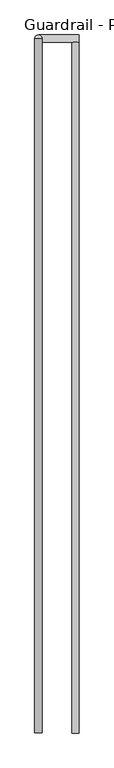
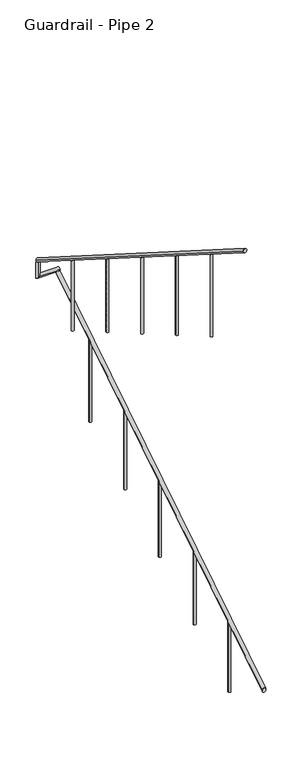
"""IFC4 building model written with IfcOpenShell, lengths in millimetres: railing geometry, Guardrail - Pipe 2."""

import ifcopenshell
import ifcopenshell.guid

model = None  # the IFC model being written
_history = None  # IfcOwnerHistory: only IFC2X3 demands one
_inside = {}  # id of a spatial element -> (the spatial element, [elements in it])
_under = {}  # id of a project, library or spatial element -> (it, [spatial elements below it])
_declared = {}  # id of a project -> (the project, [libraries it declares])
_typed = {}  # id of a type object -> (the type object, [elements of that type])
_made_of = {}  # id of a material, layer set ... -> (it, [elements and type objects made of it])


def new_model(schema):
    """Start an empty IFC model of exactly this schema.

    Asked for "IFC4X3", IfcOpenShell would pick the latest addendum, in which some entities
    have other attributes; the version numbers below select the first issue.
    IFC2X3 requires an IfcOwnerHistory on every rooted entity: one is made here for all.
    """
    global model, _history
    if schema == "IFC4X3":
        model = ifcopenshell.file(schema_version=(4, 3, 0, 0))
    else:
        model = ifcopenshell.file(schema=schema)
    _inside.clear()
    _under.clear()
    _declared.clear()
    _typed.clear()
    _made_of.clear()
    _history = None
    if model.schema == "IFC2X3":
        org = make("IfcOrganization", Name="unknown")
        user = make(
            "IfcPersonAndOrganization",
            ThePerson=make("IfcPerson", FamilyName="unknown"),
            TheOrganization=org,
        )
        app = make(
            "IfcApplication",
            ApplicationDeveloper=org,
            Version="unknown",
            ApplicationFullName="unknown",
            ApplicationIdentifier="unknown",
        )
        _history = make(
            "IfcOwnerHistory",
            OwningUser=user,
            OwningApplication=app,
            ChangeAction="ADDED",
            CreationDate=0,
        )
    return model


def make(cls, **values):
    """One entity of the class cls with the attributes given. An attribute that is None is left unset."""
    return model.create_entity(
        cls, **{name: value for name, value in values.items() if value is not None}
    )


def rooted(cls, **values):
    """An entity with a GlobalId (a new one), such as an element, a storey or a relation."""
    return make(cls, GlobalId=ifcopenshell.guid.new(), OwnerHistory=_history, **values)


def si_unit(unit_type, name, prefix=None):
    """IfcSIUnit, for example si_unit("LENGTHUNIT", "METRE", prefix="MILLI")."""
    return make("IfcSIUnit", UnitType=unit_type, Prefix=prefix, Name=name)


def assignment(units):
    """IfcUnitAssignment: the units of a project."""
    return None if units is None else make("IfcUnitAssignment", Units=units)


def point(xyz):
    """IfcCartesianPoint."""
    return None if xyz is None else make("IfcCartesianPoint", Coordinates=xyz)


def direction(xyz):
    """IfcDirection."""
    return None if xyz is None else make("IfcDirection", DirectionRatios=xyz)


def frame(location, z_axis=None, x_axis=None):
    """IfcAxis2Placement3D, a coordinate frame: its origin and axes. An axis left out is left unset."""
    return make(
        "IfcAxis2Placement3D",
        Location=point(location),
        Axis=direction(z_axis),
        RefDirection=direction(x_axis),
    )


def origin():
    """The frame at (0, 0, 0) with its axes left unset."""
    return frame((0.0, 0.0, 0.0))


def place(relative_to, where):
    """IfcLocalPlacement: puts the frame where relative to a parent placement (None: the world)."""
    return make(
        "IfcLocalPlacement", PlacementRelTo=relative_to, RelativePlacement=where
    )


def context(
    kind, dimensions, precision=None, world=None, true_north=None, identifier=None
):
    """IfcGeometricRepresentationContext, for example the 3D "Model" context."""
    return make(
        "IfcGeometricRepresentationContext",
        ContextIdentifier=identifier,
        ContextType=kind,
        CoordinateSpaceDimension=dimensions,
        Precision=precision,
        WorldCoordinateSystem=world,
        TrueNorth=true_north,
    )


def project(units=None, contexts=None):
    """IfcProject with its units and contexts."""
    return rooted(
        "IfcProject",
        Name="project",
        RepresentationContexts=contexts,
        UnitsInContext=assignment(units),
    )


def spatial(cls, under=None, at=None, **own):
    """A site, building, storey or space (cls), placed at a placement, below another one or the project."""
    s = rooted(cls, ObjectPlacement=at, **own)
    if under is not None:
        _under.setdefault(under.id(), (under, []))[1].append(s)
    return s


def circle_curve(where, radius):
    """IfcCircle in the frame where."""
    return make("IfcCircle", Position=where, Radius=radius)


def ellipse_curve(where, semi_axis1, semi_axis2):
    """IfcEllipse in the frame where."""
    return make(
        "IfcEllipse", Position=where, SemiAxis1=semi_axis1, SemiAxis2=semi_axis2
    )


def shape(context_of_items, identifier, shape_type, items):
    """IfcShapeRepresentation: the items that make up one representation, for example the "Body"."""
    return make(
        "IfcShapeRepresentation",
        ContextOfItems=context_of_items,
        RepresentationIdentifier=identifier,
        RepresentationType=shape_type,
        Items=items,
    )


def source(mapping_origin, context_of_items, identifier, shape_type, items):
    """IfcRepresentationMap: a shape defined once, which mapped items show again and again."""
    return make(
        "IfcRepresentationMap",
        MappingOrigin=mapping_origin,
        MappedRepresentation=shape(context_of_items, identifier, shape_type, items),
    )


def transform(
    local_origin,
    x_axis=None,
    y_axis=None,
    z_axis=None,
    scale=None,
    scale2=None,
    scale3=None,
    uniform=True,
):
    """IfcCartesianTransformationOperator3D, or its non-uniform kind. x_axis, y_axis, z_axis: its Axis1, 2, 3."""
    if uniform:
        return make(
            "IfcCartesianTransformationOperator3D",
            Axis1=direction(x_axis),
            Axis2=direction(y_axis),
            LocalOrigin=point(local_origin),
            Scale=scale,
            Axis3=direction(z_axis),
        )
    return make(
        "IfcCartesianTransformationOperator3DnonUniform",
        Axis1=direction(x_axis),
        Axis2=direction(y_axis),
        LocalOrigin=point(local_origin),
        Scale=scale,
        Axis3=direction(z_axis),
        Scale2=scale2,
        Scale3=scale3,
    )


def mapped(mapping_source, mapping_target):
    """IfcMappedItem: shows the shape of a source again, moved by a transform."""
    return make(
        "IfcMappedItem", MappingSource=mapping_source, MappingTarget=mapping_target
    )


def made_of(thing, what):
    """Note that an element or type object is made of a material, layer set ...; save() writes the relation."""
    if what is not None:
        _made_of.setdefault(what.id(), (what, []))[1].append(thing)
    return thing


def element(
    cls,
    number,
    at=None,
    inside=None,
    cuts=None,
    type_object=None,
    material=None,
    context=None,
    identifier="Body",
    shape_type=None,
    held_by="IfcProductDefinitionShape",
    body=None,
    shapes=None,
    **own,
):
    """One element of the class cls, such as IfcWall. Its Tag is "e" and its number.

    at: its placement. inside: the storey or other place that contains it. cuts: it is an
    opening in that element (IfcRelVoidsElement). A single representation is given by context,
    identifier, shape_type and body (its items); several are given by shapes. held_by: the class
    of the entity that holds the representations. save() writes the other relations.
    """
    e = rooted(cls, Tag="e%d" % number, ObjectPlacement=at, **own)
    if body is not None:
        shapes = [shape(context, identifier, shape_type, body)]
    if shapes is not None:
        e.Representation = make(held_by, Representations=shapes)
    if inside is not None:
        _inside.setdefault(inside.id(), (inside, []))[1].append(e)
    if cuts is not None:
        rooted(
            "IfcRelVoidsElement", RelatingBuildingElement=cuts, RelatedOpeningElement=e
        )
    if type_object is not None:
        _typed.setdefault(type_object.id(), (type_object, []))[1].append(e)
    return made_of(e, material)


def aggregate(whole, parts):
    """IfcRelAggregates: a whole, such as a stair, and the parts it consists of."""
    return rooted("IfcRelAggregates", RelatingObject=whole, RelatedObjects=parts)


def save(model, path):
    """Write the relations noted so far, then the file.

    IfcRelAggregates (storeys below a building ...), IfcRelContainedInSpatialStructure (elements
    in a storey), IfcRelDefinesByType, IfcRelAssociatesMaterial and IfcRelDeclares: one each for
    every whole, place, type object, material and project.
    """
    for whole, parts in _under.values():
        aggregate(whole, parts)
    for where, things in _inside.values():
        rooted(
            "IfcRelContainedInSpatialStructure",
            RelatedElements=things,
            RelatingStructure=where,
        )
    for kind, things in _typed.values():
        rooted("IfcRelDefinesByType", RelatedObjects=things, RelatingType=kind)
    for what, things in _made_of.values():
        rooted("IfcRelAssociatesMaterial", RelatedObjects=things, RelatingMaterial=what)
    for by, libraries in _declared.values():
        rooted("IfcRelDeclares", RelatingContext=by, RelatedDefinitions=libraries)
    model.write(path)


def plane_surface(at):
    """IfcPlane: the flat surface through the origin of the frame at, square to its z axis."""
    return make("IfcPlane", Position=at)


def cylinder_surface(at, radius):
    """IfcCylindricalSurface: all points at the distance radius from the z axis of the frame at."""
    return make("IfcCylindricalSurface", Position=at, Radius=radius)


def advanced_brep(points, edges, surfaces, faces):
    """IfcAdvancedBrep: a solid bounded by faces that lie on surfaces and meet in shared edges.

    An edge is (start, end): straight between two places in points (the first is 0);
    or (start, end, curve); or (start, end, curve, False) where it runs against its curve.
    A face is (place in surfaces, loops), or (place, loops, False) where it looks against
    its surface's normal. A loop lists edges by number (the first is 1), with a minus sign
    where the edge is run from its end to its start. The first loop is the outer one.
    """
    corners = [point(p) for p in points]
    vertices = [make("IfcVertexPoint", VertexGeometry=c) for c in corners]
    made = []
    for start, end, *more in edges:
        made.append(
            make(
                "IfcEdgeCurve",
                EdgeStart=vertices[start],
                EdgeEnd=vertices[end],
                EdgeGeometry=more[0] if more else make("IfcPolyline", Points=[corners[start], corners[end]]),
                SameSense=more[1] if len(more) > 1 else True,
            )
        )
    hull = []
    for where, loops, *sense in faces:
        bounds = []
        for j, loop in enumerate(loops):
            ring = [make("IfcOrientedEdge", EdgeElement=made[abs(k) - 1], Orientation=k > 0) for k in loop]
            bounds.append(
                make(
                    "IfcFaceOuterBound" if j == 0 else "IfcFaceBound",
                    Bound=make("IfcEdgeLoop", EdgeList=ring),
                    Orientation=True,
                )
            )
        hull.append(make("IfcAdvancedFace", Bounds=bounds, FaceSurface=surfaces[where], SameSense=sense[0] if sense else True))
    return make("IfcAdvancedBrep", Outer=make("IfcClosedShell", CfsFaces=hull))


def guardrail_pipe_2_5a07511b(model_context):
    return source(origin(), model_context, "Body", "AdvancedBrep", [
        advanced_brep(
        [(302620.9957983, -254508.8080223, 916.3134838), (302582.8957983, -254508.8080223, 916.3134838), (302620.9957983, -250895.6580223, 3203.4252683), (302582.8957983, -250895.6580223, 3203.4252683)],
        [
            (0, 1, ellipse_curve(frame((302601.9457983, -254508.8080223, 916.3134838), z_axis=(0.0, -1.0, 0.0), x_axis=(0.0, 0.0, -1.0)), 22.5457755, 19.05)),
            (1, 0, ellipse_curve(frame((302601.9457983, -254508.8080223, 916.3134838), z_axis=(0.0, -1.0, 0.0), x_axis=(0.0, 0.0, -1.0)), 22.5457755, 19.05)),
            (2, 3, ellipse_curve(frame((302601.9457983, -250895.6580223, 3203.4252683), z_axis=(0.0, 1.0, 0.0), x_axis=(0.0, 0.0, -1.0)), 22.5457755, 19.05)),
            (3, 2, ellipse_curve(frame((302601.9457983, -250895.6580223, 3203.4252683), z_axis=(0.0, 1.0, 0.0), x_axis=(0.0, 0.0, -1.0)), 22.5457755, 19.05)),
            (0, 2),
            (3, 1),
        ],
        [
            plane_surface(frame((302601.9457983, -254508.8080223, 938.8592593), z_axis=(0.0, -1.0, 0.0), x_axis=(0.0, 0.0, 1.0))),
            plane_surface(frame((302601.9457983, -250895.6580223, 3225.9710438), z_axis=(0.0, 1.0, 0.0), x_axis=(0.0, 0.0, 1.0))),
            cylinder_surface(frame((302601.9457983, -254498.6191486, 922.7630065), z_axis=(0.0, -0.8449476488296452, -0.5348490167675869), x_axis=(-1.0, 0.0, 0.0)), 19.05),
        ],
        [
            (0, [[1, 2]]),
            (1, [[3, 4]]),
            (2, [[-1, 5, -4, 6]]),
            (2, [[-2, -6, -3, -5]]),
        ],
    ),
        advanced_brep(
        [(302620.9957983, -250857.5580223, 3218.9796296), (302620.9957983, -250895.6580223, 3218.9796296), (302407.4254676, -250857.5580223, 3218.9796296), (302407.4254676, -250895.6580223, 3218.9796296), (302407.4254676, -250857.5580223, 3357.738752), (302407.4254676, -250895.6580223, 3381.8559237)],
        [
            (0, 1, circle_curve(frame((302620.9957983, -250876.6080223, 3218.9796296), z_axis=(1.0, 0.0, 0.0), x_axis=(0.0, -1.0, 0.0)), 19.05)),
            (1, 0, circle_curve(frame((302620.9957983, -250876.6080223, 3218.9796296), z_axis=(1.0, 0.0, 0.0), x_axis=(0.0, -1.0, 0.0)), 19.05)),
            (0, 2),
            (2, 3, ellipse_curve(frame((302407.4254676, -250876.6080223, 3218.9796296), z_axis=(0.7071067811865475, 0.0, -0.7071067811865475), x_axis=(0.7071067811865476, 0.0, 0.7071067811865474)), 26.9407684, 19.05)),
            (3, 1),
            (3, 2, ellipse_curve(frame((302407.4254676, -250876.6080223, 3218.9796296), z_axis=(0.7071067811865475, 0.0, -0.7071067811865475), x_axis=(0.7071067811865476, 0.0, 0.7071067811865474)), 26.9407684, 19.05)),
            (4, 5, ellipse_curve(frame((302407.4254676, -250876.6080223, 3369.7973379), z_axis=(0.0, 0.5348490167675869, 0.8449476488296452), x_axis=(0.0, 0.8449476488296452, -0.5348490167675869)), 22.5457755, 19.05)),
            (5, 4, ellipse_curve(frame((302407.4254676, -250876.6080223, 3369.7973379), z_axis=(0.0, 0.5348490167675869, 0.8449476488296452), x_axis=(0.0, 0.8449476488296452, -0.5348490167675869)), 22.5457755, 19.05)),
            (2, 4),
            (5, 3),
        ],
        [
            plane_surface(frame((302620.9957983, -250876.6080223, 3238.0296296), z_axis=(1.0, 0.0, 0.0), x_axis=(0.0, -1.0, 0.0))),
            cylinder_surface(frame((302620.9957983, -250876.6080223, 3218.9796296), z_axis=(1.0, 0.0, 0.0), x_axis=(0.0, -1.0, 0.0)), 19.05),
            plane_surface(frame((302426.4754676, -250876.6080223, 3369.7973379), z_axis=(0.0, 0.5348490167675869, 0.8449476488296452), x_axis=(1.0, 0.0, 0.0))),
            cylinder_surface(frame((302407.4254676, -250876.6080223, 3238.0296296), z_axis=(0.0, 0.0, -1.0), x_axis=(0.0, -1.0, 0.0)), 19.05),
        ],
        [
            (0, [[1, 2]]),
            (1, [[-1, 3, 4, 5]]),
            (1, [[-2, -5, 6, -3]]),
            (2, [[7, 8]]),
            (3, [[-4, 9, -8, 10]]),
            (3, [[-6, -10, -7, -9]]),
        ],
    ),
        advanced_brep(
        [(302388.3754676, -250876.6080223, 3392.3431134), (302426.4754676, -250876.6080223, 3392.3431134), (302388.3754676, -254508.8080223, 5691.5134838), (302426.4754676, -254508.8080223, 5691.5134838)],
        [
            (0, 1, ellipse_curve(frame((302407.4254676, -250876.6080223, 3392.3431134), z_axis=(0.0, 1.0, 0.0), x_axis=(0.0, 0.0, -1.0)), 22.5457755, 19.05)),
            (1, 0, ellipse_curve(frame((302407.4254676, -250876.6080223, 3392.3431134), z_axis=(0.0, 1.0, 0.0), x_axis=(0.0, 0.0, -1.0)), 22.5457755, 19.05)),
            (2, 3, ellipse_curve(frame((302407.4254676, -254508.8080223, 5691.5134838), z_axis=(0.0, -1.0, 0.0), x_axis=(0.0, 0.0, -1.0)), 22.5457755, 19.05)),
            (3, 2, ellipse_curve(frame((302407.4254676, -254508.8080223, 5691.5134838), z_axis=(0.0, -1.0, 0.0), x_axis=(0.0, 0.0, -1.0)), 22.5457755, 19.05)),
            (0, 2),
            (3, 1),
        ],
        [
            plane_surface(frame((302407.4254676, -250876.6080223, 3414.8888889), z_axis=(0.0, 1.0, 0.0), x_axis=(0.0, 0.0, -1.0))),
            plane_surface(frame((302407.4254676, -254508.8080223, 5714.0592593), z_axis=(0.0, -1.0, 0.0), x_axis=(0.0, 0.0, -1.0))),
            cylinder_surface(frame((302407.4254676, -250886.7968961, 3398.7926362), z_axis=(0.0, 0.8449476488296452, -0.5348490167675869), x_axis=(1.0, 0.0, 0.0)), 19.05),
        ],
        [
            (0, [[1, 2]]),
            (1, [[3, 4]]),
            (2, [[-1, 5, -4, 6]]),
            (2, [[-2, -6, -3, -5]]),
        ],
    ),
        advanced_brep(
        [(302420.1254676, -253924.6080223, 5299.1710753), (302394.7254676, -253924.6080223, 5299.1710753), (302394.7254676, -253924.6080223, 4421.4814815), (302420.1254676, -253924.6080223, 4421.4814815)],
        [
            (0, 1, ellipse_curve(frame((302407.4254676, -253924.6080223, 5299.1710753), z_axis=(0.0, -0.5348490167675843, -0.8449476488296469), x_axis=(0.0, -0.8449476488296469, 0.5348490167675843)), 15.030517, 12.7)),
            (1, 2),
            (2, 3, circle_curve(frame((302407.4254676, -253924.6080223, 4421.4814815), z_axis=(0.0, 0.0, 1.0), x_axis=(-1.0, 0.0, 0.0)), 12.7)),
            (3, 0),
            (3, 2, circle_curve(frame((302407.4254676, -253924.6080223, 4421.4814815), z_axis=(0.0, 0.0, 1.0), x_axis=(-1.0, 0.0, 0.0)), 12.7)),
            (1, 0, ellipse_curve(frame((302407.4254676, -253924.6080223, 5299.1710753), z_axis=(0.0, -0.5348490167675843, -0.8449476488296469), x_axis=(0.0, -0.8449476488296469, 0.5348490167675843)), 15.030517, 12.7)),
        ],
        [
            cylinder_surface(frame((302407.4254676, -253924.6080223, 4192.8814815), z_axis=(0.0, 0.0, 1.0), x_axis=(-1.0, 0.0, 0.0)), 12.7),
            plane_surface(frame((302382.0254676, -253950.0080223, 5315.2491897), z_axis=(0.0, 0.5348490167675843, 0.8449476488296469), x_axis=(1.0, 0.0, 0.0))),
            plane_surface(frame((302382.0254676, -253899.2080223, 4421.4814815), z_axis=(0.0, 0.0, -1.0), x_axis=(1.0, 0.0, 0.0))),
        ],
        [
            (0, [[1, 2, 3, 4]]),
            (0, [[5, -2, 6, -4]]),
            (1, [[-6, -1]]),
            (2, [[-5, -3]]),
        ],
    ),
        advanced_brep(
        [(302420.1254676, -253315.0080223, 4913.2963278), (302394.7254676, -253315.0080223, 4913.2963278), (302394.7254676, -253315.0080223, 4067.762963), (302420.1254676, -253315.0080223, 4067.762963)],
        [
            (0, 1, ellipse_curve(frame((302407.4254676, -253315.0080223, 4913.2963278), z_axis=(0.0, -0.534849016767586, -0.8449476488296459), x_axis=(0.0, -0.8449476488296459, 0.5348490167675857)), 15.030517, 12.7)),
            (1, 2),
            (2, 3, circle_curve(frame((302407.4254676, -253315.0080223, 4067.762963), z_axis=(0.0, 0.0, 1.0), x_axis=(-1.0, 0.0, 0.0)), 12.7)),
            (3, 0),
            (3, 2, circle_curve(frame((302407.4254676, -253315.0080223, 4067.762963), z_axis=(0.0, 0.0, 1.0), x_axis=(-1.0, 0.0, 0.0)), 12.7)),
            (1, 0, ellipse_curve(frame((302407.4254676, -253315.0080223, 4913.2963278), z_axis=(0.0, -0.534849016767586, -0.8449476488296459), x_axis=(0.0, -0.8449476488296459, 0.5348490167675857)), 15.030517, 12.7)),
        ],
        [
            cylinder_surface(frame((302407.4254676, -253315.0080223, 3839.162963), z_axis=(0.0, 0.0, 1.0), x_axis=(-1.0, 0.0, 0.0)), 12.7),
            plane_surface(frame((302382.0254676, -253340.4080223, 4929.3744423), z_axis=(0.0, 0.534849016767586, 0.8449476488296459), x_axis=(1.0, 0.0, 0.0))),
            plane_surface(frame((302382.0254676, -253289.6080223, 4067.762963), z_axis=(0.0, 0.0, -1.0), x_axis=(1.0, 0.0, 0.0))),
        ],
        [
            (0, [[1, 2, 3, 4]]),
            (0, [[5, -2, 6, -4]]),
            (1, [[-6, -1]]),
            (2, [[-5, -3]]),
        ],
    ),
        advanced_brep(
        [(302420.1254676, -252705.4080223, 4527.4215803), (302394.7254676, -252705.4080223, 4527.4215803), (302394.7254676, -252705.4080223, 3714.0444444), (302420.1254676, -252705.4080223, 3714.0444444)],
        [
            (0, 1, ellipse_curve(frame((302407.4254676, -252705.4080223, 4527.4215803), z_axis=(0.0, -0.5348490167675828, -0.844947648829648), x_axis=(0.0, -0.8449476488296481, 0.5348490167675825)), 15.030517, 12.7)),
            (1, 2),
            (2, 3, circle_curve(frame((302407.4254676, -252705.4080223, 3714.0444444), z_axis=(0.0, 0.0, 1.0), x_axis=(-1.0, 0.0, 0.0)), 12.7)),
            (3, 0),
            (3, 2, circle_curve(frame((302407.4254676, -252705.4080223, 3714.0444444), z_axis=(0.0, 0.0, 1.0), x_axis=(-1.0, 0.0, 0.0)), 12.7)),
            (1, 0, ellipse_curve(frame((302407.4254676, -252705.4080223, 4527.4215803), z_axis=(0.0, -0.5348490167675828, -0.844947648829648), x_axis=(0.0, -0.8449476488296481, 0.5348490167675825)), 15.030517, 12.7)),
        ],
        [
            cylinder_surface(frame((302407.4254676, -252705.4080223, 3485.4444444), z_axis=(0.0, 0.0, 1.0), x_axis=(-1.0, 0.0, 0.0)), 12.7),
            plane_surface(frame((302382.0254676, -252730.8080223, 4543.4996948), z_axis=(0.0, 0.5348490167675828, 0.844947648829648), x_axis=(1.0, 0.0, 0.0))),
            plane_surface(frame((302382.0254676, -252680.0080223, 3714.0444444), z_axis=(0.0, 0.0, -1.0), x_axis=(1.0, 0.0, 0.0))),
        ],
        [
            (0, [[1, 2, 3, 4]]),
            (0, [[5, -2, 6, -4]]),
            (1, [[-6, -1]]),
            (2, [[-5, -3]]),
        ],
    ),
        advanced_brep(
        [(302420.1254676, -252095.8080223, 4141.5468328), (302394.7254676, -252095.8080223, 4141.5468328), (302394.7254676, -252095.8080223, 3360.3259259), (302420.1254676, -252095.8080223, 3360.3259259)],
        [
            (0, 1, ellipse_curve(frame((302407.4254676, -252095.8080223, 4141.5468328), z_axis=(0.0, -0.5348490167675843, -0.8449476488296469), x_axis=(0.0, -0.8449476488296469, 0.5348490167675843)), 15.030517, 12.7)),
            (1, 2),
            (2, 3, circle_curve(frame((302407.4254676, -252095.8080223, 3360.3259259), z_axis=(0.0, 0.0, 1.0), x_axis=(-1.0, 0.0, 0.0)), 12.7)),
            (3, 0),
            (3, 2, circle_curve(frame((302407.4254676, -252095.8080223, 3360.3259259), z_axis=(0.0, 0.0, 1.0), x_axis=(-1.0, 0.0, 0.0)), 12.7)),
            (1, 0, ellipse_curve(frame((302407.4254676, -252095.8080223, 4141.5468328), z_axis=(0.0, -0.5348490167675843, -0.8449476488296469), x_axis=(0.0, -0.8449476488296469, 0.5348490167675843)), 15.030517, 12.7)),
        ],
        [
            cylinder_surface(frame((302407.4254676, -252095.8080223, 3131.7259259), z_axis=(0.0, 0.0, 1.0), x_axis=(-1.0, 0.0, 0.0)), 12.7),
            plane_surface(frame((302382.0254676, -252121.2080223, 4157.6249473), z_axis=(0.0, 0.5348490167675843, 0.8449476488296469), x_axis=(1.0, 0.0, 0.0))),
            plane_surface(frame((302382.0254676, -252070.4080223, 3360.3259259), z_axis=(0.0, 0.0, -1.0), x_axis=(1.0, 0.0, 0.0))),
        ],
        [
            (0, [[1, 2, 3, 4]]),
            (0, [[5, -2, 6, -4]]),
            (1, [[-6, -1]]),
            (2, [[-5, -3]]),
        ],
    ),
        advanced_brep(
        [(302420.1254676, -251486.2080223, 3755.6720854), (302394.7254676, -251486.2080223, 3755.6720854), (302394.7254676, -251486.2080223, 3006.6074074), (302420.1254676, -251486.2080223, 3006.6074074)],
        [
            (0, 1, ellipse_curve(frame((302407.4254676, -251486.2080223, 3755.6720854), z_axis=(0.0, -0.534849016767586, -0.8449476488296459), x_axis=(0.0, -0.8449476488296459, 0.5348490167675857)), 15.030517, 12.7)),
            (1, 2),
            (2, 3, circle_curve(frame((302407.4254676, -251486.2080223, 3006.6074074), z_axis=(0.0, 0.0, 1.0), x_axis=(-1.0, 0.0, 0.0)), 12.7)),
            (3, 0),
            (3, 2, circle_curve(frame((302407.4254676, -251486.2080223, 3006.6074074), z_axis=(0.0, 0.0, 1.0), x_axis=(-1.0, 0.0, 0.0)), 12.7)),
            (1, 0, ellipse_curve(frame((302407.4254676, -251486.2080223, 3755.6720854), z_axis=(0.0, -0.534849016767586, -0.8449476488296459), x_axis=(0.0, -0.8449476488296459, 0.5348490167675857)), 15.030517, 12.7)),
        ],
        [
            cylinder_surface(frame((302407.4254676, -251486.2080223, 2778.0074074), z_axis=(0.0, 0.0, 1.0), x_axis=(-1.0, 0.0, 0.0)), 12.7),
            plane_surface(frame((302382.0254676, -251511.6080223, 3771.7501998), z_axis=(0.0, 0.534849016767586, 0.8449476488296459), x_axis=(1.0, 0.0, 0.0))),
            plane_surface(frame((302382.0254676, -251460.8080223, 3006.6074074), z_axis=(0.0, 0.0, -1.0), x_axis=(1.0, 0.0, 0.0))),
        ],
        [
            (0, [[1, 2, 3, 4]]),
            (0, [[5, -2, 6, -4]]),
            (1, [[-6, -1]]),
            (2, [[-5, -3]]),
        ],
    ),
        advanced_brep(
        [(302589.2457983, -251460.8080223, 2823.1414456), (302614.6457983, -251460.8080223, 2823.1414456), (302614.6457983, -251460.8080223, 1945.4518519), (302589.2457983, -251460.8080223, 1945.4518519)],
        [
            (0, 1, ellipse_curve(frame((302601.9457983, -251460.8080223, 2823.1414456), z_axis=(0.0, 0.5348490167675843, -0.8449476488296469), x_axis=(0.0, 0.8449476488296469, 0.5348490167675843)), 15.030517, 12.7)),
            (1, 2),
            (2, 3, circle_curve(frame((302601.9457983, -251460.8080223, 1945.4518519), z_axis=(0.0, 0.0, 1.0), x_axis=(1.0, 0.0, 0.0)), 12.7)),
            (3, 0),
            (3, 2, circle_curve(frame((302601.9457983, -251460.8080223, 1945.4518519), z_axis=(0.0, 0.0, 1.0), x_axis=(1.0, 0.0, 0.0)), 12.7)),
            (1, 0, ellipse_curve(frame((302601.9457983, -251460.8080223, 2823.1414456), z_axis=(0.0, 0.5348490167675843, -0.8449476488296469), x_axis=(0.0, 0.8449476488296469, 0.5348490167675843)), 15.030517, 12.7)),
        ],
        [
            cylinder_surface(frame((302601.9457983, -251460.8080223, 1716.8518519), z_axis=(0.0, 0.0, 1.0), x_axis=(1.0, 0.0, 0.0)), 12.7),
            plane_surface(frame((302627.3457983, -251435.4080223, 2839.2195601), z_axis=(0.0, -0.5348490167675843, 0.8449476488296469), x_axis=(-1.0, 0.0, 0.0))),
            plane_surface(frame((302627.3457983, -251486.2080223, 1945.4518519), z_axis=(0.0, 0.0, -1.0), x_axis=(-1.0, 0.0, 0.0))),
        ],
        [
            (0, [[1, 2, 3, 4]]),
            (0, [[5, -2, 6, -4]]),
            (1, [[-6, -1]]),
            (2, [[-5, -3]]),
        ],
    ),
        advanced_brep(
        [(302589.2457983, -252070.4080223, 2437.2666982), (302614.6457983, -252070.4080223, 2437.2666982), (302614.6457983, -252070.4080223, 1591.7333333), (302589.2457983, -252070.4080223, 1591.7333333)],
        [
            (0, 1, ellipse_curve(frame((302601.9457983, -252070.4080223, 2437.2666982), z_axis=(0.0, 0.534849016767586, -0.8449476488296459), x_axis=(0.0, 0.8449476488296459, 0.5348490167675857)), 15.030517, 12.7)),
            (1, 2),
            (2, 3, circle_curve(frame((302601.9457983, -252070.4080223, 1591.7333333), z_axis=(0.0, 0.0, 1.0), x_axis=(1.0, 0.0, 0.0)), 12.7)),
            (3, 0),
            (3, 2, circle_curve(frame((302601.9457983, -252070.4080223, 1591.7333333), z_axis=(0.0, 0.0, 1.0), x_axis=(1.0, 0.0, 0.0)), 12.7)),
            (1, 0, ellipse_curve(frame((302601.9457983, -252070.4080223, 2437.2666982), z_axis=(0.0, 0.534849016767586, -0.8449476488296459), x_axis=(0.0, 0.8449476488296459, 0.5348490167675857)), 15.030517, 12.7)),
        ],
        [
            cylinder_surface(frame((302601.9457983, -252070.4080223, 1363.1333333), z_axis=(0.0, 0.0, 1.0), x_axis=(1.0, 0.0, 0.0)), 12.7),
            plane_surface(frame((302627.3457983, -252045.0080223, 2453.3448126), z_axis=(0.0, -0.534849016767586, 0.8449476488296459), x_axis=(-1.0, 0.0, 0.0))),
            plane_surface(frame((302627.3457983, -252095.8080223, 1591.7333333), z_axis=(0.0, 0.0, -1.0), x_axis=(-1.0, 0.0, 0.0))),
        ],
        [
            (0, [[1, 2, 3, 4]]),
            (0, [[5, -2, 6, -4]]),
            (1, [[-6, -1]]),
            (2, [[-5, -3]]),
        ],
    ),
        advanced_brep(
        [(302589.2457983, -252680.0080223, 2051.3919507), (302614.6457983, -252680.0080223, 2051.3919507), (302614.6457983, -252680.0080223, 1238.0148148), (302589.2457983, -252680.0080223, 1238.0148148)],
        [
            (0, 1, ellipse_curve(frame((302601.9457983, -252680.0080223, 2051.3919507), z_axis=(0.0, 0.5348490167675828, -0.844947648829648), x_axis=(0.0, 0.8449476488296481, 0.5348490167675825)), 15.030517, 12.7)),
            (1, 2),
            (2, 3, circle_curve(frame((302601.9457983, -252680.0080223, 1238.0148148), z_axis=(0.0, 0.0, 1.0), x_axis=(1.0, 0.0, 0.0)), 12.7)),
            (3, 0),
            (3, 2, circle_curve(frame((302601.9457983, -252680.0080223, 1238.0148148), z_axis=(0.0, 0.0, 1.0), x_axis=(1.0, 0.0, 0.0)), 12.7)),
            (1, 0, ellipse_curve(frame((302601.9457983, -252680.0080223, 2051.3919507), z_axis=(0.0, 0.5348490167675828, -0.844947648829648), x_axis=(0.0, 0.8449476488296481, 0.5348490167675825)), 15.030517, 12.7)),
        ],
        [
            cylinder_surface(frame((302601.9457983, -252680.0080223, 1009.4148148), z_axis=(0.0, 0.0, 1.0), x_axis=(1.0, 0.0, 0.0)), 12.7),
            plane_surface(frame((302627.3457983, -252654.6080223, 2067.4700652), z_axis=(0.0, -0.5348490167675828, 0.844947648829648), x_axis=(-1.0, 0.0, 0.0))),
            plane_surface(frame((302627.3457983, -252705.4080223, 1238.0148148), z_axis=(0.0, 0.0, -1.0), x_axis=(-1.0, 0.0, 0.0))),
        ],
        [
            (0, [[1, 2, 3, 4]]),
            (0, [[5, -2, 6, -4]]),
            (1, [[-6, -1]]),
            (2, [[-5, -3]]),
        ],
    ),
        advanced_brep(
        [(302589.2457983, -253289.6080223, 1665.5172032), (302614.6457983, -253289.6080223, 1665.5172032), (302614.6457983, -253289.6080223, 884.2962963), (302589.2457983, -253289.6080223, 884.2962963)],
        [
            (0, 1, ellipse_curve(frame((302601.9457983, -253289.6080223, 1665.5172032), z_axis=(0.0, 0.5348490167675843, -0.8449476488296469), x_axis=(0.0, 0.8449476488296469, 0.5348490167675843)), 15.030517, 12.7)),
            (1, 2),
            (2, 3, circle_curve(frame((302601.9457983, -253289.6080223, 884.2962963), z_axis=(0.0, 0.0, 1.0), x_axis=(1.0, 0.0, 0.0)), 12.7)),
            (3, 0),
            (3, 2, circle_curve(frame((302601.9457983, -253289.6080223, 884.2962963), z_axis=(0.0, 0.0, 1.0), x_axis=(1.0, 0.0, 0.0)), 12.7)),
            (1, 0, ellipse_curve(frame((302601.9457983, -253289.6080223, 1665.5172032), z_axis=(0.0, 0.5348490167675843, -0.8449476488296469), x_axis=(0.0, 0.8449476488296469, 0.5348490167675843)), 15.030517, 12.7)),
        ],
        [
            cylinder_surface(frame((302601.9457983, -253289.6080223, 655.6962963), z_axis=(0.0, 0.0, 1.0), x_axis=(1.0, 0.0, 0.0)), 12.7),
            plane_surface(frame((302627.3457983, -253264.2080223, 1681.5953177), z_axis=(0.0, -0.5348490167675843, 0.8449476488296469), x_axis=(-1.0, 0.0, 0.0))),
            plane_surface(frame((302627.3457983, -253315.0080223, 884.2962963), z_axis=(0.0, 0.0, -1.0), x_axis=(-1.0, 0.0, 0.0))),
        ],
        [
            (0, [[1, 2, 3, 4]]),
            (0, [[5, -2, 6, -4]]),
            (1, [[-6, -1]]),
            (2, [[-5, -3]]),
        ],
    ),
        advanced_brep(
        [(302589.2457983, -253899.2080223, 1279.6424557), (302614.6457983, -253899.2080223, 1279.6424557), (302614.6457983, -253899.2080223, 530.5777778), (302589.2457983, -253899.2080223, 530.5777778)],
        [
            (0, 1, ellipse_curve(frame((302601.9457983, -253899.2080223, 1279.6424557), z_axis=(0.0, 0.534849016767586, -0.8449476488296459), x_axis=(0.0, 0.8449476488296459, 0.5348490167675857)), 15.030517, 12.7)),
            (1, 2),
            (2, 3, circle_curve(frame((302601.9457983, -253899.2080223, 530.5777778), z_axis=(0.0, 0.0, 1.0), x_axis=(1.0, 0.0, 0.0)), 12.7)),
            (3, 0),
            (3, 2, circle_curve(frame((302601.9457983, -253899.2080223, 530.5777778), z_axis=(0.0, 0.0, 1.0), x_axis=(1.0, 0.0, 0.0)), 12.7)),
            (1, 0, ellipse_curve(frame((302601.9457983, -253899.2080223, 1279.6424557), z_axis=(0.0, 0.534849016767586, -0.8449476488296459), x_axis=(0.0, 0.8449476488296459, 0.5348490167675857)), 15.030517, 12.7)),
        ],
        [
            cylinder_surface(frame((302601.9457983, -253899.2080223, 301.9777778), z_axis=(0.0, 0.0, 1.0), x_axis=(1.0, 0.0, 0.0)), 12.7),
            plane_surface(frame((302627.3457983, -253873.8080223, 1295.7205702), z_axis=(0.0, -0.534849016767586, 0.8449476488296459), x_axis=(-1.0, 0.0, 0.0))),
            plane_surface(frame((302627.3457983, -253924.6080223, 530.5777778), z_axis=(0.0, 0.0, -1.0), x_axis=(-1.0, 0.0, 0.0))),
        ],
        [
            (0, [[1, 2, 3, 4]]),
            (0, [[5, -2, 6, -4]]),
            (1, [[-6, -1]]),
            (2, [[-5, -3]]),
        ],
    ),
    ])


if __name__ == "__main__":
    model = new_model("IFC4")
    model_context = context("Model", 3, world=origin())
    ifc_project = project(units=[si_unit("LENGTHUNIT", "METRE", prefix="MILLI")], contexts=[model_context])
    site = spatial("IfcSite", under=ifc_project)
    building = spatial("IfcBuilding", under=site)
    placement = place(None, origin())
    guardrail_pipe_2_shape = guardrail_pipe_2_5a07511b(model_context)
    element("IfcRailing", 1, ObjectType="Guardrail - Pipe 2", at=placement, inside=building, context=model_context, shape_type="MappedRepresentation", body=[
        mapped(guardrail_pipe_2_shape, transform((0.0, 0.0, 0.0), x_axis=(1.0, 0.0, 0.0), y_axis=(0.0, 1.0, 0.0), z_axis=(0.0, 0.0, 1.0))),
    ])
    save(model, "model.ifc")
